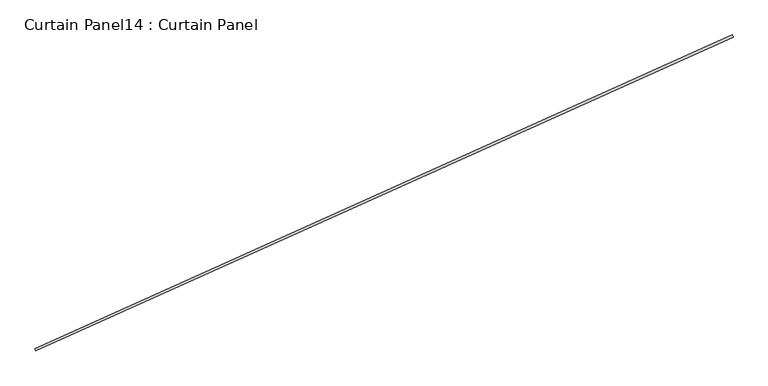
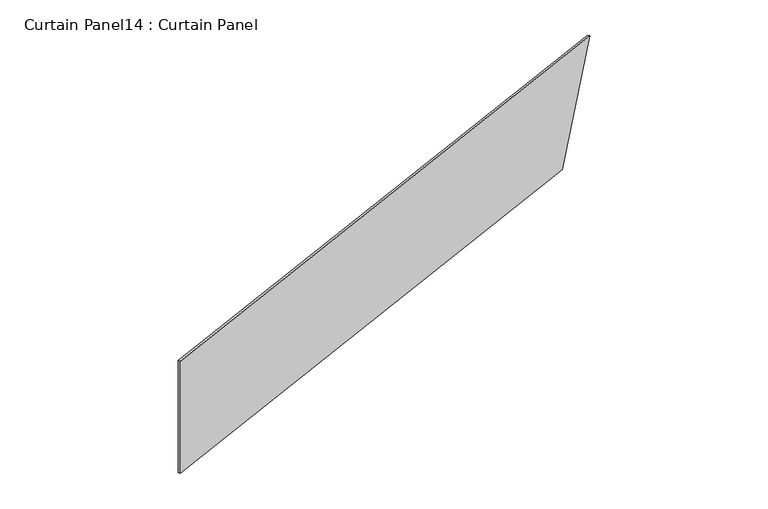
"""IFC4 building model written with IfcOpenShell, lengths in millimetres: plate geometry, Curtain Panel14 : Curtain Panel."""

import ifcopenshell
import ifcopenshell.guid

model = None  # the IFC model being written
_history = None  # IfcOwnerHistory: only IFC2X3 demands one
_inside = {}  # id of a spatial element -> (the spatial element, [elements in it])
_under = {}  # id of a project, library or spatial element -> (it, [spatial elements below it])
_declared = {}  # id of a project -> (the project, [libraries it declares])
_typed = {}  # id of a type object -> (the type object, [elements of that type])
_made_of = {}  # id of a material, layer set ... -> (it, [elements and type objects made of it])


def new_model(schema):
    """Start an empty IFC model of exactly this schema.

    Asked for "IFC4X3", IfcOpenShell would pick the latest addendum, in which some entities
    have other attributes; the version numbers below select the first issue.
    IFC2X3 requires an IfcOwnerHistory on every rooted entity: one is made here for all.
    """
    global model, _history
    if schema == "IFC4X3":
        model = ifcopenshell.file(schema_version=(4, 3, 0, 0))
    else:
        model = ifcopenshell.file(schema=schema)
    _inside.clear()
    _under.clear()
    _declared.clear()
    _typed.clear()
    _made_of.clear()
    _history = None
    if model.schema == "IFC2X3":
        org = make("IfcOrganization", Name="unknown")
        user = make(
            "IfcPersonAndOrganization",
            ThePerson=make("IfcPerson", FamilyName="unknown"),
            TheOrganization=org,
        )
        app = make(
            "IfcApplication",
            ApplicationDeveloper=org,
            Version="unknown",
            ApplicationFullName="unknown",
            ApplicationIdentifier="unknown",
        )
        _history = make(
            "IfcOwnerHistory",
            OwningUser=user,
            OwningApplication=app,
            ChangeAction="ADDED",
            CreationDate=0,
        )
    return model


def make(cls, **values):
    """One entity of the class cls with the attributes given. An attribute that is None is left unset."""
    return model.create_entity(
        cls, **{name: value for name, value in values.items() if value is not None}
    )


def rooted(cls, **values):
    """An entity with a GlobalId (a new one), such as an element, a storey or a relation."""
    return make(cls, GlobalId=ifcopenshell.guid.new(), OwnerHistory=_history, **values)


def si_unit(unit_type, name, prefix=None):
    """IfcSIUnit, for example si_unit("LENGTHUNIT", "METRE", prefix="MILLI")."""
    return make("IfcSIUnit", UnitType=unit_type, Prefix=prefix, Name=name)


def assignment(units):
    """IfcUnitAssignment: the units of a project."""
    return None if units is None else make("IfcUnitAssignment", Units=units)


def point(xyz):
    """IfcCartesianPoint."""
    return None if xyz is None else make("IfcCartesianPoint", Coordinates=xyz)


def direction(xyz):
    """IfcDirection."""
    return None if xyz is None else make("IfcDirection", DirectionRatios=xyz)


def frame(location, z_axis=None, x_axis=None):
    """IfcAxis2Placement3D, a coordinate frame: its origin and axes. An axis left out is left unset."""
    return make(
        "IfcAxis2Placement3D",
        Location=point(location),
        Axis=direction(z_axis),
        RefDirection=direction(x_axis),
    )


def origin():
    """The frame at (0, 0, 0) with its axes left unset."""
    return frame((0.0, 0.0, 0.0))


def place(relative_to, where):
    """IfcLocalPlacement: puts the frame where relative to a parent placement (None: the world)."""
    return make(
        "IfcLocalPlacement", PlacementRelTo=relative_to, RelativePlacement=where
    )


def context(
    kind, dimensions, precision=None, world=None, true_north=None, identifier=None
):
    """IfcGeometricRepresentationContext, for example the 3D "Model" context."""
    return make(
        "IfcGeometricRepresentationContext",
        ContextIdentifier=identifier,
        ContextType=kind,
        CoordinateSpaceDimension=dimensions,
        Precision=precision,
        WorldCoordinateSystem=world,
        TrueNorth=true_north,
    )


def project(units=None, contexts=None):
    """IfcProject with its units and contexts."""
    return rooted(
        "IfcProject",
        Name="project",
        RepresentationContexts=contexts,
        UnitsInContext=assignment(units),
    )


def spatial(cls, under=None, at=None, **own):
    """A site, building, storey or space (cls), placed at a placement, below another one or the project."""
    s = rooted(cls, ObjectPlacement=at, **own)
    if under is not None:
        _under.setdefault(under.id(), (under, []))[1].append(s)
    return s


def polyline(points):
    """IfcPolyline through the points."""
    return make("IfcPolyline", Points=[point(p) for p in points])


def outline(outer, holes=None, kind="AREA"):
    """IfcArbitraryClosedProfileDef: a profile drawn as a closed curve; with holes, ...WithVoids."""
    if holes is None:
        return make("IfcArbitraryClosedProfileDef", ProfileType=kind, OuterCurve=outer)
    return make(
        "IfcArbitraryProfileDefWithVoids",
        ProfileType=kind,
        OuterCurve=outer,
        InnerCurves=holes,
    )


def extrude(swept, where, along, depth):
    """IfcExtrudedAreaSolid: the profile swept, set in the frame where, extruded along a direction by depth."""
    return make(
        "IfcExtrudedAreaSolid",
        SweptArea=swept,
        Position=where,
        ExtrudedDirection=direction(along),
        Depth=depth,
    )


def shape(context_of_items, identifier, shape_type, items):
    """IfcShapeRepresentation: the items that make up one representation, for example the "Body"."""
    return make(
        "IfcShapeRepresentation",
        ContextOfItems=context_of_items,
        RepresentationIdentifier=identifier,
        RepresentationType=shape_type,
        Items=items,
    )


def source(mapping_origin, context_of_items, identifier, shape_type, items):
    """IfcRepresentationMap: a shape defined once, which mapped items show again and again."""
    return make(
        "IfcRepresentationMap",
        MappingOrigin=mapping_origin,
        MappedRepresentation=shape(context_of_items, identifier, shape_type, items),
    )


def transform(
    local_origin,
    x_axis=None,
    y_axis=None,
    z_axis=None,
    scale=None,
    scale2=None,
    scale3=None,
    uniform=True,
):
    """IfcCartesianTransformationOperator3D, or its non-uniform kind. x_axis, y_axis, z_axis: its Axis1, 2, 3."""
    if uniform:
        return make(
            "IfcCartesianTransformationOperator3D",
            Axis1=direction(x_axis),
            Axis2=direction(y_axis),
            LocalOrigin=point(local_origin),
            Scale=scale,
            Axis3=direction(z_axis),
        )
    return make(
        "IfcCartesianTransformationOperator3DnonUniform",
        Axis1=direction(x_axis),
        Axis2=direction(y_axis),
        LocalOrigin=point(local_origin),
        Scale=scale,
        Axis3=direction(z_axis),
        Scale2=scale2,
        Scale3=scale3,
    )


def mapped(mapping_source, mapping_target):
    """IfcMappedItem: shows the shape of a source again, moved by a transform."""
    return make(
        "IfcMappedItem", MappingSource=mapping_source, MappingTarget=mapping_target
    )


def made_of(thing, what):
    """Note that an element or type object is made of a material, layer set ...; save() writes the relation."""
    if what is not None:
        _made_of.setdefault(what.id(), (what, []))[1].append(thing)
    return thing


def element(
    cls,
    number,
    at=None,
    inside=None,
    cuts=None,
    type_object=None,
    material=None,
    context=None,
    identifier="Body",
    shape_type=None,
    held_by="IfcProductDefinitionShape",
    body=None,
    shapes=None,
    **own,
):
    """One element of the class cls, such as IfcWall. Its Tag is "e" and its number.

    at: its placement. inside: the storey or other place that contains it. cuts: it is an
    opening in that element (IfcRelVoidsElement). A single representation is given by context,
    identifier, shape_type and body (its items); several are given by shapes. held_by: the class
    of the entity that holds the representations. save() writes the other relations.
    """
    e = rooted(cls, Tag="e%d" % number, ObjectPlacement=at, **own)
    if body is not None:
        shapes = [shape(context, identifier, shape_type, body)]
    if shapes is not None:
        e.Representation = make(held_by, Representations=shapes)
    if inside is not None:
        _inside.setdefault(inside.id(), (inside, []))[1].append(e)
    if cuts is not None:
        rooted(
            "IfcRelVoidsElement", RelatingBuildingElement=cuts, RelatedOpeningElement=e
        )
    if type_object is not None:
        _typed.setdefault(type_object.id(), (type_object, []))[1].append(e)
    return made_of(e, material)


def aggregate(whole, parts):
    """IfcRelAggregates: a whole, such as a stair, and the parts it consists of."""
    return rooted("IfcRelAggregates", RelatingObject=whole, RelatedObjects=parts)


def save(model, path):
    """Write the relations noted so far, then the file.

    IfcRelAggregates (storeys below a building ...), IfcRelContainedInSpatialStructure (elements
    in a storey), IfcRelDefinesByType, IfcRelAssociatesMaterial and IfcRelDeclares: one each for
    every whole, place, type object, material and project.
    """
    for whole, parts in _under.values():
        aggregate(whole, parts)
    for where, things in _inside.values():
        rooted(
            "IfcRelContainedInSpatialStructure",
            RelatedElements=things,
            RelatingStructure=where,
        )
    for kind, things in _typed.values():
        rooted("IfcRelDefinesByType", RelatedObjects=things, RelatingType=kind)
    for what, things in _made_of.values():
        rooted("IfcRelAssociatesMaterial", RelatedObjects=things, RelatingMaterial=what)
    for by, libraries in _declared.values():
        rooted("IfcRelDeclares", RelatingContext=by, RelatedDefinitions=libraries)
    model.write(path)


def curtain_panel14_curtain_panel_8c165e5f(model_context):
    return source(origin(), model_context, "Body", "SweptSolid", [
        extrude(outline(polyline([(0.0, 0.0), (0.0, -7263.1055124), (-1524.0, -7777.5681867), (-1524.0, 0.0), (0.0, 0.0)])), frame((36557.5770857, -12836.3437505, 19507.2), z_axis=(-0.41023197127835836, 0.9119812112873117, 0.0), x_axis=(0.0, 0.0, -1.0)), (0.0, 0.0, 1.0), 25.4),
    ])


if __name__ == "__main__":
    model = new_model("IFC4")
    model_context = context("Model", 3, world=origin())
    ifc_project = project(units=[si_unit("LENGTHUNIT", "METRE", prefix="MILLI")], contexts=[model_context])
    site = spatial("IfcSite", under=ifc_project)
    building = spatial("IfcBuilding", under=site)
    placement = place(None, origin())
    curtain_panel14_curtain_panel_shape = curtain_panel14_curtain_panel_8c165e5f(model_context)
    element("IfcPlate", 1, ObjectType="Curtain Panel14 : Curtain Panel", at=placement, inside=building, context=model_context, shape_type="MappedRepresentation", body=[
        mapped(curtain_panel14_curtain_panel_shape, transform((0.0, 0.0, 0.0), x_axis=(1.0, 0.0, 0.0), y_axis=(0.0, 1.0, 0.0), z_axis=(0.0, 0.0, 1.0))),
    ])
    save(model, "model.ifc")
